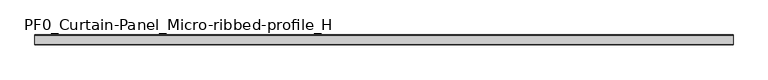
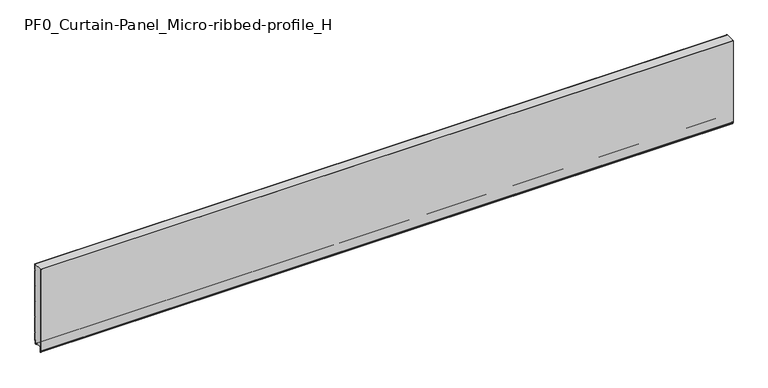
"""IFC4 building model written with IfcOpenShell, lengths in millimetres: plate geometry, PF0_Curtain-Panel_Micro-ribbed-profile_H."""

from ifc_helpers import new_model, si_unit, point, frame, frame_2d, origin, place, context, project, spatial, polyline, circle_curve, trimmed, segment, composite_curve, outline, extrude, source, transform, mapped, element, save


def pf0_curtain_panel_micro_ribbed_profile_h_facc42a7(model_context):
    return source(origin(), model_context, "Body", "SweptSolid", [
        extrude(outline(composite_curve([segment(polyline([(-15.878557, 0.0), (-20.0, 0.0), (-20.0, 0.8), (-15.878557, 0.8)]), True, "CONTINUOUS"), segment(trimmed(circle_curve(frame_2d((-15.878557, -2.0)), 2.8), [point((-15.878557, 0.8))], [point((-13.1503208, -1.370137))], False, "CARTESIAN"), True, "CONTINUOUS"), segment(polyline([(-13.1503208, -1.370137), (-11.728236, -7.529863)]), True, "CONTINUOUS"), segment(trimmed(circle_curve(frame_2d((-9.0, -6.9)), 2.8), [point((-11.728236, -7.529863))], [point((-6.2, -6.9))], True, "CARTESIAN"), True, "CONTINUOUS"), segment(polyline([(-6.2, -6.9), (-6.2, 8.6)]), True, "CONTINUOUS"), segment(trimmed(circle_curve(frame_2d((-3.4, 8.6)), 2.8), [point((-6.2, 8.6))], [point((-3.4, 11.4))], False, "CARTESIAN"), True, "CONTINUOUS"), segment(polyline([(-3.4, 11.4), (-2.0, 11.4)]), True, "CONTINUOUS"), segment(trimmed(circle_curve(frame_2d((-2.0, 12.6)), 1.2), [point((-2.0, 11.4))], [point((-0.8, 12.6))], True, "CARTESIAN"), True, "CONTINUOUS"), segment(polyline([(-0.8, 12.6), (-0.8, 57.6856412), (-2.482606, 60.6), (-0.8, 63.5143588), (-0.8, 157.6856412), (-2.482606, 160.6), (-0.8, 163.5143588), (-0.8, 257.6856412), (-2.482606, 260.6), (-0.8, 263.5143588), (-0.8, 357.6856412), (-2.482606, 360.6), (-0.8, 363.5143588), (-0.8, 457.6856412), (-2.482606, 460.6), (-0.8, 463.5143588), (-0.8, 500.0), (0.0, 500.0), (0.0, 463.2999995), (-1.5588455, 460.6), (0.0, 457.9000005), (0.0, 363.2999995), (-1.5588455, 360.6), (0.0, 357.9000005), (0.0, 263.2999995), (-1.5588455, 260.6), (0.0, 257.9000005), (0.0, 163.2999995), (-1.5588455, 160.6), (0.0, 157.9000005), (0.0, 63.2999995), (-1.5588455, 60.6), (0.0, 57.9000005), (0.0, 12.6)]), True, "CONTINUOUS"), segment(trimmed(circle_curve(frame_2d((-2.0, 12.6)), 2.0), [point((0.0, 12.6))], [point((-2.0, 10.6))], False, "CARTESIAN"), True, "CONTINUOUS"), segment(polyline([(-2.0, 10.6), (-3.4, 10.6)]), True, "CONTINUOUS"), segment(trimmed(circle_curve(frame_2d((-3.4, 8.6)), 2.0), [point((-3.4, 10.6))], [point((-5.4, 8.6))], True, "CARTESIAN"), True, "CONTINUOUS"), segment(polyline([(-5.4, 8.6), (-5.4, -6.9)]), True, "CONTINUOUS"), segment(trimmed(circle_curve(frame_2d((-9.0, -6.9)), 3.6), [point((-5.4, -6.9))], [point((-12.5077322, -7.7098239))], False, "CARTESIAN"), True, "CONTINUOUS"), segment(polyline([(-12.5077322, -7.7098239), (-13.929817, -1.5500979)]), True, "CONTINUOUS"), segment(trimmed(circle_curve(frame_2d((-15.878557, -2.0)), 2.0), [point((-13.929817, -1.5500979))], [point((-15.878557, 0.0))], True, "CARTESIAN"), True, "CONTINUOUS")], self_intersect=False)), frame((-2100.0, 0.0, 0.0), z_axis=(1.0, 0.0, 0.0), x_axis=(0.0, 1.0, 0.0)), (0.0, 0.0, 1.0), 4200.0),
        extrude(outline(composite_curve([segment(polyline([(-50.0, 0.0), (-53.5, 0.0)]), True, "CONTINUOUS"), segment(trimmed(circle_curve(frame_2d((-53.5, -2.0)), 2.0), [point((-53.5, 0.0))], [point((-55.5, -2.0))], True, "CARTESIAN"), True, "CONTINUOUS"), segment(polyline([(-55.5, -2.0), (-55.5, -33.0)]), True, "CONTINUOUS"), segment(trimmed(circle_curve(frame_2d((-56.5, -33.0)), 1.0), [point((-55.5, -33.0))], [point((-57.5, -33.0))], False, "CARTESIAN"), True, "CONTINUOUS"), segment(polyline([(-57.5, -33.0), (-57.5, -26.9)]), True, "CONTINUOUS"), segment(trimmed(circle_curve(frame_2d((-58.4, -26.9)), 0.9), [point((-57.5, -26.9))], [point((-58.4, -26.0))], True, "CARTESIAN"), True, "CONTINUOUS"), segment(trimmed(circle_curve(frame_2d((-58.4, -24.4)), 1.6), [point((-58.4, -26.0))], [point((-60.0, -24.4))], False, "CARTESIAN"), True, "CONTINUOUS"), segment(polyline([(-60.0, -24.4), (-60.0, 500.0), (-59.2, 500.0), (-59.2, -24.4)]), True, "CONTINUOUS"), segment(trimmed(circle_curve(frame_2d((-58.4, -24.4)), 0.8), [point((-59.2, -24.4))], [point((-58.4, -25.2))], True, "CARTESIAN"), True, "CONTINUOUS"), segment(trimmed(circle_curve(frame_2d((-58.6133333, -26.9)), 1.7133333), [point((-58.4, -25.2))], [point((-56.9, -26.9))], False, "CARTESIAN"), True, "CONTINUOUS"), segment(polyline([(-56.9, -26.9), (-56.9, -32.8700312)]), True, "CONTINUOUS"), segment(trimmed(circle_curve(frame_2d((-56.6, -32.8700312)), 0.3), [point((-56.9, -32.8700312))], [point((-56.3, -32.8700312))], True, "CARTESIAN"), True, "CONTINUOUS"), segment(polyline([(-56.3, -32.8700312), (-56.3, -2.0)]), True, "CONTINUOUS"), segment(trimmed(circle_curve(frame_2d((-53.5, -2.0)), 2.8), [point((-56.3, -2.0))], [point((-53.5, 0.8))], False, "CARTESIAN"), True, "CONTINUOUS"), segment(polyline([(-53.5, 0.8), (-50.0, 0.8), (-50.0, 0.0)]), True, "CONTINUOUS")], self_intersect=False)), frame((-2100.0, 0.0, 0.0), z_axis=(1.0, 0.0, 0.0), x_axis=(0.0, 1.0, 0.0)), (0.0, 0.0, 1.0), 4200.0),
        extrude(outline(composite_curve([segment(polyline([(-50.0, 0.8), (-53.5, 0.8)]), True, "CONTINUOUS"), segment(trimmed(circle_curve(frame_2d((-53.5, -2.0)), 2.8), [point((-53.5, 0.8))], [point((-56.3, -2.0))], True, "CARTESIAN"), True, "CONTINUOUS"), segment(polyline([(-56.3, -2.0), (-56.3, -32.8700312)]), True, "CONTINUOUS"), segment(trimmed(circle_curve(frame_2d((-56.6, -32.8700312)), 0.3), [point((-56.3, -32.8700312))], [point((-56.9, -32.8700312))], False, "CARTESIAN"), True, "CONTINUOUS"), segment(polyline([(-56.9, -32.8700312), (-56.9, -26.9)]), True, "CONTINUOUS"), segment(trimmed(circle_curve(frame_2d((-58.6133333, -26.9)), 1.7133333), [point((-56.9, -26.9))], [point((-58.4, -25.2))], True, "CARTESIAN"), True, "CONTINUOUS"), segment(trimmed(circle_curve(frame_2d((-58.4, -24.4)), 0.8), [point((-58.4, -25.2))], [point((-59.2, -24.4))], False, "CARTESIAN"), True, "CONTINUOUS"), segment(polyline([(-59.2, -24.4), (-59.2, 500.0), (-0.8, 500.0), (-0.8, 463.5143588), (-2.482606, 460.6), (-0.8, 457.6856412), (-0.8, 363.5143588), (-2.482606, 360.6), (-0.8, 357.6856412), (-0.8, 263.5143588), (-2.482606, 260.6), (-0.8, 257.6856412), (-0.8, 163.5143588), (-2.482606, 160.6), (-0.8, 157.6856412), (-0.8, 63.5143588), (-2.482606, 60.6), (-0.8, 57.6856412), (-0.8, 12.6)]), True, "CONTINUOUS"), segment(trimmed(circle_curve(frame_2d((-2.0, 12.6)), 1.2), [point((-0.8, 12.6))], [point((-2.0, 11.4))], False, "CARTESIAN"), True, "CONTINUOUS"), segment(polyline([(-2.0, 11.4), (-3.4, 11.4)]), True, "CONTINUOUS"), segment(trimmed(circle_curve(frame_2d((-3.4, 8.6)), 2.8), [point((-3.4, 11.4))], [point((-6.2, 8.6))], True, "CARTESIAN"), True, "CONTINUOUS"), segment(polyline([(-6.2, 8.6), (-6.2, -6.9)]), True, "CONTINUOUS"), segment(trimmed(circle_curve(frame_2d((-9.0, -6.9)), 2.8), [point((-6.2, -6.9))], [point((-11.7282362, -7.529863))], False, "CARTESIAN"), True, "CONTINUOUS"), segment(polyline([(-11.7282362, -7.529863), (-13.1503208, -1.370137)]), True, "CONTINUOUS"), segment(trimmed(circle_curve(frame_2d((-15.878557, -2.0)), 2.8), [point((-13.1503208, -1.370137))], [point((-15.878557, 0.8))], True, "CARTESIAN"), True, "CONTINUOUS"), segment(polyline([(-15.878557, 0.8), (-20.0, 0.8), (-20.0, 0.0), (-50.0, 0.0), (-50.0, 0.8)]), True, "CONTINUOUS")], self_intersect=False)), frame((-2100.0, 0.0, 0.0), z_axis=(1.0, 0.0, 0.0), x_axis=(0.0, 1.0, 0.0)), (0.0, 0.0, 1.0), 4200.0),
    ])


if __name__ == "__main__":
    model = new_model("IFC4")
    model_context = context("Model", 3, world=origin())
    ifc_project = project(units=[si_unit("LENGTHUNIT", "METRE", prefix="MILLI")], contexts=[model_context])
    site = spatial("IfcSite", under=ifc_project)
    building = spatial("IfcBuilding", under=site)
    placement = place(None, origin())
    pf0_curtain_panel_micro_ribbed_profile_h_shape = pf0_curtain_panel_micro_ribbed_profile_h_facc42a7(model_context)
    element("IfcPlate", 1, ObjectType="PF0_Curtain-Panel_Micro-ribbed-profile_H", at=placement, inside=building, context=model_context, shape_type="MappedRepresentation", body=[
        mapped(pf0_curtain_panel_micro_ribbed_profile_h_shape, transform((0.0, 0.0, 0.0), x_axis=(1.0, 0.0, 0.0), y_axis=(0.0, 1.0, 0.0), z_axis=(0.0, 0.0, 1.0))),
    ])
    save(model, "model.ifc")
